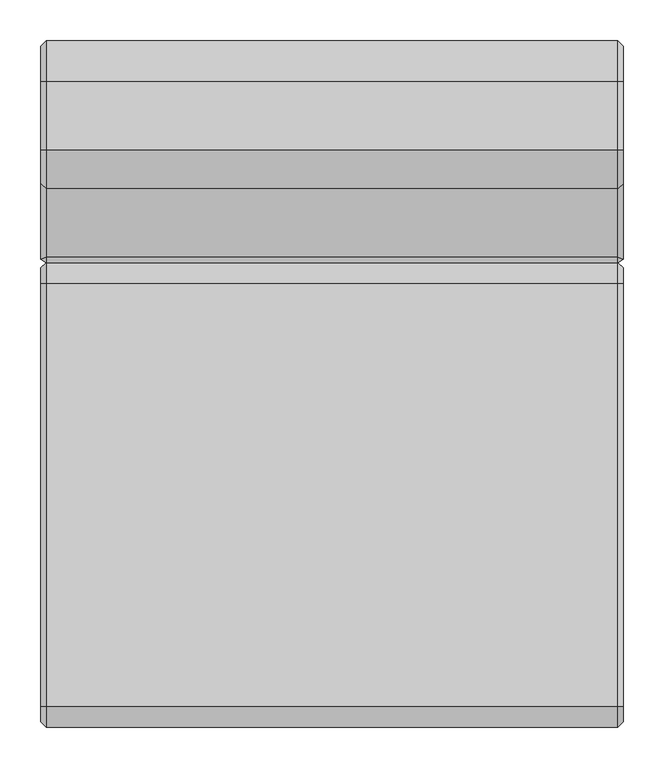
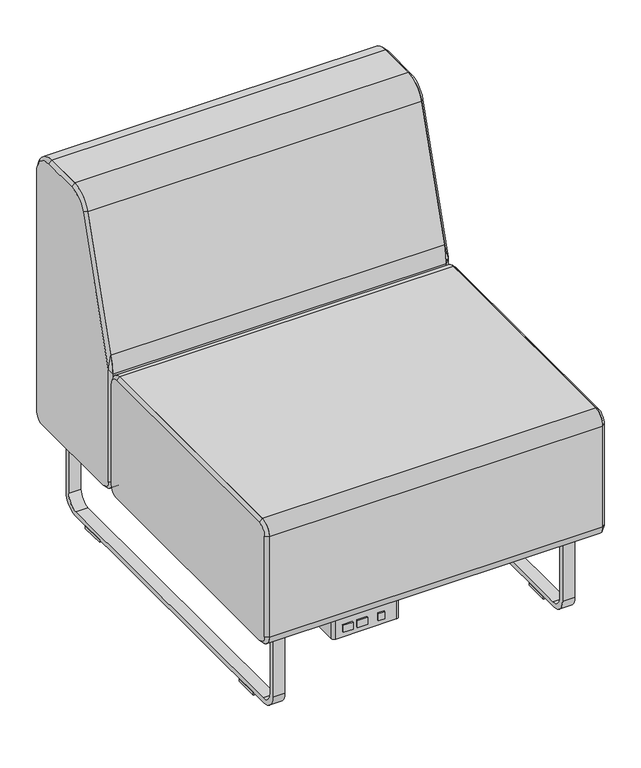
"""IFC4 building model written with IfcOpenShell, lengths in millimetres: furniture geometry."""

import ifcopenshell
import ifcopenshell.guid

model = None  # the IFC model being written
_history = None  # IfcOwnerHistory: only IFC2X3 demands one
_inside = {}  # id of a spatial element -> (the spatial element, [elements in it])
_under = {}  # id of a project, library or spatial element -> (it, [spatial elements below it])
_declared = {}  # id of a project -> (the project, [libraries it declares])
_typed = {}  # id of a type object -> (the type object, [elements of that type])
_made_of = {}  # id of a material, layer set ... -> (it, [elements and type objects made of it])


def new_model(schema):
    """Start an empty IFC model of exactly this schema.

    Asked for "IFC4X3", IfcOpenShell would pick the latest addendum, in which some entities
    have other attributes; the version numbers below select the first issue.
    IFC2X3 requires an IfcOwnerHistory on every rooted entity: one is made here for all.
    """
    global model, _history
    if schema == "IFC4X3":
        model = ifcopenshell.file(schema_version=(4, 3, 0, 0))
    else:
        model = ifcopenshell.file(schema=schema)
    _inside.clear()
    _under.clear()
    _declared.clear()
    _typed.clear()
    _made_of.clear()
    _history = None
    if model.schema == "IFC2X3":
        org = make("IfcOrganization", Name="unknown")
        user = make(
            "IfcPersonAndOrganization",
            ThePerson=make("IfcPerson", FamilyName="unknown"),
            TheOrganization=org,
        )
        app = make(
            "IfcApplication",
            ApplicationDeveloper=org,
            Version="unknown",
            ApplicationFullName="unknown",
            ApplicationIdentifier="unknown",
        )
        _history = make(
            "IfcOwnerHistory",
            OwningUser=user,
            OwningApplication=app,
            ChangeAction="ADDED",
            CreationDate=0,
        )
    return model


def make(cls, **values):
    """One entity of the class cls with the attributes given. An attribute that is None is left unset."""
    return model.create_entity(
        cls, **{name: value for name, value in values.items() if value is not None}
    )


def rooted(cls, **values):
    """An entity with a GlobalId (a new one), such as an element, a storey or a relation."""
    return make(cls, GlobalId=ifcopenshell.guid.new(), OwnerHistory=_history, **values)


def si_unit(unit_type, name, prefix=None):
    """IfcSIUnit, for example si_unit("LENGTHUNIT", "METRE", prefix="MILLI")."""
    return make("IfcSIUnit", UnitType=unit_type, Prefix=prefix, Name=name)


def assignment(units):
    """IfcUnitAssignment: the units of a project."""
    return None if units is None else make("IfcUnitAssignment", Units=units)


def point(xyz):
    """IfcCartesianPoint."""
    return None if xyz is None else make("IfcCartesianPoint", Coordinates=xyz)


def direction(xyz):
    """IfcDirection."""
    return None if xyz is None else make("IfcDirection", DirectionRatios=xyz)


def frame(location, z_axis=None, x_axis=None):
    """IfcAxis2Placement3D, a coordinate frame: its origin and axes. An axis left out is left unset."""
    return make(
        "IfcAxis2Placement3D",
        Location=point(location),
        Axis=direction(z_axis),
        RefDirection=direction(x_axis),
    )


def frame_2d(location, x_axis=None):
    """IfcAxis2Placement2D, a coordinate frame in the plane: its origin and x axis."""
    return make(
        "IfcAxis2Placement2D", Location=point(location), RefDirection=direction(x_axis)
    )


def origin():
    """The frame at (0, 0, 0) with its axes left unset."""
    return frame((0.0, 0.0, 0.0))


def origin_with_axes():
    """The frame at (0, 0, 0) with the z axis (0, 0, 1) and the x axis (1, 0, 0) written out."""
    return frame((0.0, 0.0, 0.0), z_axis=(0.0, 0.0, 1.0), x_axis=(1.0, 0.0, 0.0))


def place(relative_to, where):
    """IfcLocalPlacement: puts the frame where relative to a parent placement (None: the world)."""
    return make(
        "IfcLocalPlacement", PlacementRelTo=relative_to, RelativePlacement=where
    )


def context(
    kind, dimensions, precision=None, world=None, true_north=None, identifier=None
):
    """IfcGeometricRepresentationContext, for example the 3D "Model" context."""
    return make(
        "IfcGeometricRepresentationContext",
        ContextIdentifier=identifier,
        ContextType=kind,
        CoordinateSpaceDimension=dimensions,
        Precision=precision,
        WorldCoordinateSystem=world,
        TrueNorth=true_north,
    )


def project(units=None, contexts=None):
    """IfcProject with its units and contexts."""
    return rooted(
        "IfcProject",
        Name="project",
        RepresentationContexts=contexts,
        UnitsInContext=assignment(units),
    )


def spatial(cls, under=None, at=None, **own):
    """A site, building, storey or space (cls), placed at a placement, below another one or the project."""
    s = rooted(cls, ObjectPlacement=at, **own)
    if under is not None:
        _under.setdefault(under.id(), (under, []))[1].append(s)
    return s


def polyline(points):
    """IfcPolyline through the points."""
    return make("IfcPolyline", Points=[point(p) for p in points])


def circle_curve(where, radius):
    """IfcCircle in the frame where."""
    return make("IfcCircle", Position=where, Radius=radius)


def trimmed(basis, trim1, trim2, sense, master):
    """IfcTrimmedCurve: the piece of a basis curve between two trims."""
    return make(
        "IfcTrimmedCurve",
        BasisCurve=basis,
        Trim1=trim1,
        Trim2=trim2,
        SenseAgreement=sense,
        MasterRepresentation=master,
    )


def segment(curve, same_sense, transition):
    """IfcCompositeCurveSegment."""
    return make(
        "IfcCompositeCurveSegment",
        Transition=transition,
        SameSense=same_sense,
        ParentCurve=curve,
    )


def composite_curve(segments, self_intersect=None):
    """IfcCompositeCurve: segments joined end to end."""
    return make("IfcCompositeCurve", Segments=segments, SelfIntersect=self_intersect)


def outline(outer, holes=None, kind="AREA"):
    """IfcArbitraryClosedProfileDef: a profile drawn as a closed curve; with holes, ...WithVoids."""
    if holes is None:
        return make("IfcArbitraryClosedProfileDef", ProfileType=kind, OuterCurve=outer)
    return make(
        "IfcArbitraryProfileDefWithVoids",
        ProfileType=kind,
        OuterCurve=outer,
        InnerCurves=holes,
    )


def extrude(swept, where, along, depth):
    """IfcExtrudedAreaSolid: the profile swept, set in the frame where, extruded along a direction by depth."""
    return make(
        "IfcExtrudedAreaSolid",
        SweptArea=swept,
        Position=where,
        ExtrudedDirection=direction(along),
        Depth=depth,
    )


def shape(context_of_items, identifier, shape_type, items):
    """IfcShapeRepresentation: the items that make up one representation, for example the "Body"."""
    return make(
        "IfcShapeRepresentation",
        ContextOfItems=context_of_items,
        RepresentationIdentifier=identifier,
        RepresentationType=shape_type,
        Items=items,
    )


def source(mapping_origin, context_of_items, identifier, shape_type, items):
    """IfcRepresentationMap: a shape defined once, which mapped items show again and again."""
    return make(
        "IfcRepresentationMap",
        MappingOrigin=mapping_origin,
        MappedRepresentation=shape(context_of_items, identifier, shape_type, items),
    )


def transform(
    local_origin,
    x_axis=None,
    y_axis=None,
    z_axis=None,
    scale=None,
    scale2=None,
    scale3=None,
    uniform=True,
):
    """IfcCartesianTransformationOperator3D, or its non-uniform kind. x_axis, y_axis, z_axis: its Axis1, 2, 3."""
    if uniform:
        return make(
            "IfcCartesianTransformationOperator3D",
            Axis1=direction(x_axis),
            Axis2=direction(y_axis),
            LocalOrigin=point(local_origin),
            Scale=scale,
            Axis3=direction(z_axis),
        )
    return make(
        "IfcCartesianTransformationOperator3DnonUniform",
        Axis1=direction(x_axis),
        Axis2=direction(y_axis),
        LocalOrigin=point(local_origin),
        Scale=scale,
        Axis3=direction(z_axis),
        Scale2=scale2,
        Scale3=scale3,
    )


def mapped(mapping_source, mapping_target):
    """IfcMappedItem: shows the shape of a source again, moved by a transform."""
    return make(
        "IfcMappedItem", MappingSource=mapping_source, MappingTarget=mapping_target
    )


def made_of(thing, what):
    """Note that an element or type object is made of a material, layer set ...; save() writes the relation."""
    if what is not None:
        _made_of.setdefault(what.id(), (what, []))[1].append(thing)
    return thing


def element(
    cls,
    number,
    at=None,
    inside=None,
    cuts=None,
    type_object=None,
    material=None,
    context=None,
    identifier="Body",
    shape_type=None,
    held_by="IfcProductDefinitionShape",
    body=None,
    shapes=None,
    **own,
):
    """One element of the class cls, such as IfcWall. Its Tag is "e" and its number.

    at: its placement. inside: the storey or other place that contains it. cuts: it is an
    opening in that element (IfcRelVoidsElement). A single representation is given by context,
    identifier, shape_type and body (its items); several are given by shapes. held_by: the class
    of the entity that holds the representations. save() writes the other relations.
    """
    e = rooted(cls, Tag="e%d" % number, ObjectPlacement=at, **own)
    if body is not None:
        shapes = [shape(context, identifier, shape_type, body)]
    if shapes is not None:
        e.Representation = make(held_by, Representations=shapes)
    if inside is not None:
        _inside.setdefault(inside.id(), (inside, []))[1].append(e)
    if cuts is not None:
        rooted(
            "IfcRelVoidsElement", RelatingBuildingElement=cuts, RelatedOpeningElement=e
        )
    if type_object is not None:
        _typed.setdefault(type_object.id(), (type_object, []))[1].append(e)
    return made_of(e, material)


def aggregate(whole, parts):
    """IfcRelAggregates: a whole, such as a stair, and the parts it consists of."""
    return rooted("IfcRelAggregates", RelatingObject=whole, RelatedObjects=parts)


def save(model, path):
    """Write the relations noted so far, then the file.

    IfcRelAggregates (storeys below a building ...), IfcRelContainedInSpatialStructure (elements
    in a storey), IfcRelDefinesByType, IfcRelAssociatesMaterial and IfcRelDeclares: one each for
    every whole, place, type object, material and project.
    """
    for whole, parts in _under.values():
        aggregate(whole, parts)
    for where, things in _inside.values():
        rooted(
            "IfcRelContainedInSpatialStructure",
            RelatedElements=things,
            RelatingStructure=where,
        )
    for kind, things in _typed.values():
        rooted("IfcRelDefinesByType", RelatedObjects=things, RelatingType=kind)
    for what, things in _made_of.values():
        rooted("IfcRelAssociatesMaterial", RelatedObjects=things, RelatingMaterial=what)
    for by, libraries in _declared.values():
        rooted("IfcRelDeclares", RelatingContext=by, RelatedDefinitions=libraries)
    model.write(path)


def plane_surface(at):
    """IfcPlane: the flat surface through the origin of the frame at, square to its z axis."""
    return make("IfcPlane", Position=at)


def revolved_surface(curve, axis_point, axis_direction):
    """IfcSurfaceOfRevolution: the curve turned about the line through axis_point along axis_direction."""
    return make(
        "IfcSurfaceOfRevolution",
        SweptCurve=make("IfcArbitraryOpenProfileDef", ProfileType="CURVE", Curve=curve),
        AxisPosition=make("IfcAxis1Placement", Location=point(axis_point), Axis=direction(axis_direction)),
    )


def spline_surface(u_degree, v_degree, points, u_multiplicities, v_multiplicities, u_knots, v_knots, weights=None):
    """IfcBSplineSurfaceWithKnots; with weights, IfcRationalBSplineSurfaceWithKnots. points: one row for each step in u."""
    own = dict(
        UDegree=u_degree,
        VDegree=v_degree,
        ControlPointsList=[[point(p) for p in row] for row in points],
        SurfaceForm="UNSPECIFIED",
        UClosed=False,
        VClosed=False,
        SelfIntersect=False,
        UMultiplicities=u_multiplicities,
        VMultiplicities=v_multiplicities,
        UKnots=u_knots,
        VKnots=v_knots,
        KnotSpec="UNSPECIFIED",
    )
    if weights is None:
        return make("IfcBSplineSurfaceWithKnots", **own)
    return make("IfcRationalBSplineSurfaceWithKnots", WeightsData=weights, **own)


def advanced_brep(points, edges, surfaces, faces):
    """IfcAdvancedBrep: a solid bounded by faces that lie on surfaces and meet in shared edges.

    An edge is (start, end): straight between two places in points (the first is 0);
    or (start, end, curve); or (start, end, curve, False) where it runs against its curve.
    A face is (place in surfaces, loops), or (place, loops, False) where it looks against
    its surface's normal. A loop lists edges by number (the first is 1), with a minus sign
    where the edge is run from its end to its start. The first loop is the outer one.
    """
    corners = [point(p) for p in points]
    vertices = [make("IfcVertexPoint", VertexGeometry=c) for c in corners]
    made = []
    for start, end, *more in edges:
        made.append(
            make(
                "IfcEdgeCurve",
                EdgeStart=vertices[start],
                EdgeEnd=vertices[end],
                EdgeGeometry=more[0] if more else make("IfcPolyline", Points=[corners[start], corners[end]]),
                SameSense=more[1] if len(more) > 1 else True,
            )
        )
    hull = []
    for where, loops, *sense in faces:
        bounds = []
        for j, loop in enumerate(loops):
            ring = [make("IfcOrientedEdge", EdgeElement=made[abs(k) - 1], Orientation=k > 0) for k in loop]
            bounds.append(
                make(
                    "IfcFaceOuterBound" if j == 0 else "IfcFaceBound",
                    Bound=make("IfcEdgeLoop", EdgeList=ring),
                    Orientation=True,
                )
            )
        hull.append(make("IfcAdvancedFace", Bounds=bounds, FaceSurface=surfaces[where], SameSense=sense[0] if sense else True))
    return make("IfcAdvancedBrep", Outer=make("IfcClosedShell", CfsFaces=hull))


def furniture_3edd1aa6(model_context):
    return source(origin(), model_context, "Body", "SolidModel", [
        extrude(outline(polyline([(-94.2135905, -367.8609794), (-108.0184165, -367.8609794), (-108.0184165, -364.6859794), (-94.2135905, -364.6859794), (-94.2135905, -367.8609794)])), frame((0.0, 0.0, 148.4693805), z_axis=(0.0, 0.0, 1.0), x_axis=(1.0, 0.0, 0.0)), (0.0, 0.0, 1.0), 15.3288336),
        extrude(outline(polyline([(-130.3260038, -367.8609794), (-151.7402709, -367.8609794), (-151.7402709, -364.6859794), (-130.3260038, -364.6859794), (-130.3260038, -367.8609794)])), frame((0.0, 0.0, 148.4693805), z_axis=(0.0, 0.0, 1.0), x_axis=(1.0, 0.0, 0.0)), (0.0, 0.0, 1.0), 15.3288336),
        extrude(outline(polyline([(-160.5520036, -367.8609794), (-181.4562055, -367.8609794), (-181.4562055, -364.6859794), (-160.5520036, -364.6859794), (-160.5520036, -367.8609794)])), frame((0.0, 0.0, 148.4693805), z_axis=(0.0, 0.0, 1.0), x_axis=(1.0, 0.0, 0.0)), (0.0, 0.0, 1.0), 15.3288336),
        extrude(outline(composite_curve([segment(trimmed(circle_curve(frame_2d((-62.7937537, -295.6297294)), 0.79375), [point((-62.7937537, -294.8359794))], [point((-62.0000037, -295.6297294))], False, "CARTESIAN"), True, "CONTINUOUS"), segment(polyline([(-62.0000037, -295.6297294), (-62.0000037, -358.3359794)]), True, "CONTINUOUS"), segment(trimmed(circle_curve(frame_2d((-68.3500037, -358.3359794)), 6.35), [point((-62.0000037, -358.3359794))], [point((-68.3500037, -364.6859794))], False, "CARTESIAN"), True, "CONTINUOUS"), segment(polyline([(-68.3500037, -364.6859794), (-195.3500037, -364.6859794)]), True, "CONTINUOUS"), segment(trimmed(circle_curve(frame_2d((-195.3500037, -358.3359794)), 6.35), [point((-195.3500037, -364.6859794))], [point((-201.7000037, -358.3359794))], False, "CARTESIAN"), True, "CONTINUOUS"), segment(polyline([(-201.7000037, -358.3359794), (-201.7000037, -295.6297294)]), True, "CONTINUOUS"), segment(trimmed(circle_curve(frame_2d((-200.9062537, -295.6297294)), 0.79375), [point((-201.7000037, -295.6297294))], [point((-200.9062537, -294.8359794))], False, "CARTESIAN"), True, "CONTINUOUS"), segment(polyline([(-200.9062537, -294.8359794), (-62.7937537, -294.8359794)]), True, "CONTINUOUS")], self_intersect=False)), frame((0.0, 0.0, 136.525), z_axis=(0.0, 0.0, 1.0), x_axis=(1.0, 0.0, 0.0)), (0.0, 0.0, 1.0), 44.45),
        extrude(outline(composite_curve([segment(trimmed(circle_curve(frame_2d((-52.4750037, -304.3609794)), 3.175), [point((-52.4750037, -301.1859794))], [point((-49.3000037, -304.3609794))], False, "CARTESIAN"), True, "CONTINUOUS"), segment(polyline([(-49.3000037, -304.3609794), (-49.3000037, -355.1609794)]), True, "CONTINUOUS"), segment(trimmed(circle_curve(frame_2d((-52.4750037, -355.1609794)), 3.175), [point((-49.3000037, -355.1609794))], [point((-52.4750037, -358.3359794))], False, "CARTESIAN"), True, "CONTINUOUS"), segment(polyline([(-52.4750037, -358.3359794), (-211.2250037, -358.3359794)]), True, "CONTINUOUS"), segment(trimmed(circle_curve(frame_2d((-211.2250037, -355.1609794)), 3.175), [point((-211.2250037, -358.3359794))], [point((-214.4000037, -355.1609794))], False, "CARTESIAN"), True, "CONTINUOUS"), segment(polyline([(-214.4000037, -355.1609794), (-214.4000037, -304.3609794)]), True, "CONTINUOUS"), segment(trimmed(circle_curve(frame_2d((-211.2250037, -304.3609794)), 3.175), [point((-214.4000037, -304.3609794))], [point((-211.2250037, -301.1859794))], False, "CARTESIAN"), True, "CONTINUOUS"), segment(polyline([(-211.2250037, -301.1859794), (-52.4750037, -301.1859794)]), True, "CONTINUOUS")], self_intersect=False)), frame((0.0, 0.0, 180.975), z_axis=(0.0, 0.0, 1.0), x_axis=(1.0, 0.0, 0.0)), (0.0, 0.0, 1.0), 3.175),
        advanced_brep(
        [(-355.6, 151.6980231, 450.85), (-355.6, 170.7480231, 431.8), (-355.6, 170.7480231, 209.55), (-355.6, 151.6980231, 190.5), (-355.6, -364.6859794, 190.5), (-355.6, -383.7359794, 209.55), (-355.6, -383.7359794, 431.8), (-355.6, -364.6859794, 450.85), (-349.25, 151.6980231, 457.2), (-349.25, -364.6859794, 457.2), (-349.25, -390.0859794, 431.8), (-349.25, -390.0859794, 209.55), (-349.25, -364.6859794, 184.15), (-349.25, 151.6980231, 184.15), (-349.25, 177.0980231, 209.55), (-349.25, 177.0980231, 431.8)],
        [
            (0, 1, circle_curve(frame((-355.6, 151.6980231, 431.8), z_axis=(-1.0, -2.7684521342053295e-12, 0.0), x_axis=(0.0, 0.0, 1.0)), 19.05)),
            (1, 2),
            (2, 3, circle_curve(frame((-355.6, 151.6980231, 209.55), z_axis=(-1.0, -3.1921132404022953e-12, 0.0), x_axis=(-3.1921549777552315e-12, 1.0, 0.0)), 19.05)),
            (3, 4),
            (4, 5, circle_curve(frame((-355.6, -364.6859794, 209.55), z_axis=(-1.0, 0.0, 0.0), x_axis=(0.0, 0.0, -1.0)), 19.05)),
            (5, 6),
            (6, 7, circle_curve(frame((-355.6, -364.6859794, 431.8), z_axis=(-1.0, 0.0, 0.0), x_axis=(0.0, -1.0, 0.0)), 19.05)),
            (7, 0),
            (8, 9),
            (9, 10, circle_curve(frame((-349.25, -364.6859794, 431.8), z_axis=(1.0, 0.0, 0.0), x_axis=(0.0, -1.0, 0.0)), 25.4)),
            (10, 11),
            (11, 12, circle_curve(frame((-349.25, -364.6859794, 209.55), z_axis=(1.0, 0.0, 0.0), x_axis=(0.0, 0.0, -1.0)), 25.4)),
            (12, 13),
            (13, 14, circle_curve(frame((-349.25, 151.6980231, 209.55), z_axis=(1.0, 3.1921132404022953e-12, 0.0), x_axis=(-3.1921549777552315e-12, 1.0, 0.0)), 25.4)),
            (14, 15),
            (15, 8, circle_curve(frame((-349.25, 151.6980231, 431.8), z_axis=(1.0, 2.7684521342053295e-12, 0.0), x_axis=(0.0, 0.0, 1.0)), 25.4)),
            (14, 2),
            (1, 15),
            (12, 4),
            (3, 13),
            (10, 6),
            (5, 11),
            (8, 0),
            (7, 9),
        ],
        [
            plane_surface(frame((-355.6, -106.4939782, 320.675), z_axis=(-1.0, 0.0, 0.0), x_axis=(0.0, 1.0, 0.0))),
            plane_surface(frame((-349.25, -106.4939782, 320.675), z_axis=(1.0, 0.0, 0.0), x_axis=(0.0, 1.0, 0.0))),
            plane_surface(frame((-349.25, 177.0980231, 320.675), z_axis=(-0.7071067811876064, 0.7071067811854886, 0.0), x_axis=(0.0, 0.0, -1.0))),
            plane_surface(frame((-349.25, -106.4939782, 184.15), z_axis=(-0.7071067811863705, 0.0, -0.7071067811867247), x_axis=(0.0, -1.0, 0.0))),
            plane_surface(frame((-349.25, -390.0859794, 320.675), z_axis=(-0.7071067811866116, -0.7071067811864835, 0.0), x_axis=(0.0, 0.0, 1.0))),
            plane_surface(frame((-349.25, -106.4939782, 457.2), z_axis=(-0.7071067811865777, 0.0, 0.7071067811865174), x_axis=(0.0, 1.0, 0.0))),
            revolved_surface(polyline([(-355.6, 151.6980231, 450.84999999999997), (-349.2499999999297, 151.6980231, 457.2000000000703)]), (-374.65, 151.6980231, 431.8), (1.0, 2.7684521342053295e-12, 0.0)),
            revolved_surface(polyline([(-355.60000000006085, 170.74802309993916, 209.55), (-349.25, 177.0980231, 209.55)]), (-374.65, 151.6980231, 209.55), (1.0, 3.1921132404022953e-12, 0.0)),
            revolved_surface(polyline([(-355.6, -364.6859794, 190.50000000000003), (-349.25, -364.6859794, 184.15)]), (-374.65, -364.6859794, 209.55), (1.0, 0.0, 0.0)),
            revolved_surface(polyline([(-355.6, -383.73597939999996, 431.8), (-349.25, -390.0859794, 431.8)]), (-374.65, -364.6859794, 431.8), (1.0, 0.0, 0.0)),
        ],
        [
            (0, [[1, 2, 3, 4, 5, 6, 7, 8]]),
            (1, [[9, 10, 11, 12, 13, 14, 15, 16]]),
            (2, [[-15, 17, -2, 18]]),
            (3, [[-13, 19, -4, 20]]),
            (4, [[-11, 21, -6, 22]]),
            (5, [[-9, 23, -8, 24]]),
            (6, [[-16, -18, -1, -23]]),
            (7, [[-14, -20, -3, -17]]),
            (8, [[-12, -22, -5, -19]]),
            (9, [[-10, -24, -7, -21]]),
        ],
    ),
        advanced_brep(
        [(355.6, 398.1140214, 781.05), (355.6, 315.3219472, 781.05), (355.6, 273.6633925, 750.4487484), (355.6, 181.6267453, 456.75942), (355.6, 181.6267453, 209.55), (355.6, 200.6767453, 190.5), (355.6, 422.7140206, 190.5), (355.6, 441.7640206, 209.55), (355.6, 441.7640206, 737.4000009), (349.25, 398.1140214, 787.4), (349.25, 448.1140206, 737.4000009), (349.25, 448.1140206, 209.55), (349.25, 422.7140206, 184.15), (349.25, 202.4980231, 184.15), (349.25, 177.0980231, 209.55), (349.25, 177.0980231, 448.1421227), (349.25, 183.8862715, 485.2041409), (349.25, 267.6039664, 752.3476572), (349.25, 315.3219472, 787.4)],
        [
            (0, 1),
            (1, 2, circle_curve(frame((355.6, 315.3219472, 737.39375), z_axis=(1.0, 0.0, 0.0), x_axis=(0.0, 0.0, 1.0)), 43.65625)),
            (2, 3),
            (3, 4),
            (4, 5, circle_curve(frame((355.6, 200.6767453, 209.55), z_axis=(1.0, 0.0, 0.0), x_axis=(0.0, -1.0, 0.0)), 19.05)),
            (5, 6),
            (6, 7, circle_curve(frame((355.6, 422.7140206, 209.55), z_axis=(1.0, -2.1103119252153097e-12, 3.346656285442461e-12), x_axis=(3.3466520756728202e-12, 0.0, -1.0)), 19.05)),
            (7, 8),
            (8, 0, circle_curve(frame((355.6, 398.1140214, 737.4000009), z_axis=(1.0, 2.2488677586890422e-12, 0.0), x_axis=(-2.2488434285652812e-12, 1.0, 0.0)), 43.6499991)),
            (9, 10, circle_curve(frame((349.25, 398.1140214, 737.4000009), z_axis=(-1.0, -2.2488677586890422e-12, 0.0), x_axis=(-2.2488434285652812e-12, 1.0, 0.0)), 49.9999991)),
            (10, 11),
            (11, 12, circle_curve(frame((349.25, 422.7140206, 209.55), z_axis=(-1.0, 2.1103119252153097e-12, -3.346656285442461e-12), x_axis=(3.3466520756728202e-12, 0.0, -1.0)), 25.4)),
            (12, 13),
            (13, 14, circle_curve(frame((349.25, 202.4980231, 209.55), z_axis=(-1.0, 0.0, 0.0), x_axis=(0.0, -1.0, 0.0)), 25.4)),
            (14, 15),
            (15, 16, circle_curve(frame((349.25, 330.963593, 439.112907), z_axis=(-1.0, 0.0, 0.0), x_axis=(0.0, -1.0, 0.0)), 154.1302707)),
            (16, 17),
            (17, 18, circle_curve(frame((349.25, 315.3219472, 737.39375), z_axis=(-1.0, 0.0, 0.0), x_axis=(0.0, 0.0, 1.0)), 50.00625)),
            (18, 9),
            (18, 1),
            (0, 9),
            (17, 2),
            (16, 3),
            (15, 3),
            (14, 4),
            (13, 5),
            (12, 6),
            (11, 7),
            (10, 8),
        ],
        [
            plane_surface(frame((355.6, 317.4746287, 478.534241), z_axis=(1.0, 0.0, 0.0), x_axis=(0.0, 0.0, 1.0))),
            plane_surface(frame((349.25, 304.0562338, 478.5293922), z_axis=(-1.0, 0.0, 0.0), x_axis=(0.0, 0.0, 1.0))),
            plane_surface(frame((349.25, 356.7179843, 787.4), z_axis=(0.7071067811879643, 0.0, 0.7071067811851307), x_axis=(0.0, -1.0, 0.0))),
            revolved_surface(polyline([(355.6, 315.3219472, 781.05), (349.25, 315.3219472, 787.4)]), (399.25625, 315.3219472, 737.39375), (-1.0, 0.0, 0.0)),
            plane_surface(frame((349.25, 225.745119, 618.7758991), z_axis=(0.707106781188229, -0.6747498133214669, 0.21145375243837036), x_axis=(0.0, -0.29904076451373696, -0.9542403372102018))),
            spline_surface(2, 1, [[(349.25, 183.8862715, 485.2041409), (355.6, 181.6267453, 456.75942)], [(349.25, 178.20999802483482, 467.09112836245816), (355.6, 181.6267453, 456.75942)], [(349.25, 177.0980231, 448.1421227), (355.6, 181.6267453, 456.75942)]], [3, 3], [2, 2], [0.0, 1.0], [0.0, 1.0], weights=[[1.0, 1.0], [0.9925018543197952, 0.9925018543197952], [1.0, 1.0]]),
            plane_surface(frame((349.25, 177.0980231, 328.8460613), z_axis=(0.5806444204862116, -0.8141572679514882, 0.0), x_axis=(0.0, 0.0, -1.0))),
            spline_surface(2, 1, [[(349.25, 177.0980231, 209.55), (355.6, 181.6267453, 209.55)], [(349.25, 177.0980231, 184.15), (355.6, 181.6267453, 190.50000000000003)], [(349.25, 202.4980231, 184.15), (355.6, 200.6767453, 190.5)]], [3, 3], [2, 2], [0.0, 1.0], [0.0, 1.0], weights=[[1.0, 1.0], [0.7071067811865476, 0.7071067811865476], [1.0, 1.0]]),
            plane_surface(frame((349.25, 312.6060218, 184.15), z_axis=(0.70710678118765, 0.0, -0.707106781185445), x_axis=(0.0, 1.0, 0.0))),
            revolved_surface(polyline([(355.6000000000638, 422.7140206, 190.50000000006378), (349.25, 422.7140206, 184.15)]), (374.65, 422.7140206, 209.55), (-1.0, 2.1103119252153097e-12, -3.346656285442461e-12)),
            plane_surface(frame((349.25, 448.1140206, 473.4750004), z_axis=(0.7071067811879643, 0.7071067811851307, 0.0), x_axis=(0.0, 0.0, 1.0))),
            revolved_surface(polyline([(355.6, 441.76402058729997, 737.4000009), (349.24999999988756, 448.11402060011244, 737.4000009)]), (399.2499991, 398.1140214, 737.4000009), (-1.0, -2.2488677586890422e-12, 0.0)),
        ],
        [
            (0, [[1, 2, 3, 4, 5, 6, 7, 8, 9]]),
            (1, [[10, 11, 12, 13, 14, 15, 16, 17, 18, 19]]),
            (2, [[-19, 20, -1, 21]]),
            (3, [[-18, 22, -2, -20]]),
            (4, [[-17, 23, -3, -22]]),
            (5, [[-16, 24, -23]]),
            (6, [[-15, 25, -4, -24]]),
            (7, [[-14, 26, -5, -25]]),
            (8, [[-13, 27, -6, -26]]),
            (9, [[-12, 28, -7, -27]]),
            (10, [[-11, 29, -8, -28]]),
            (11, [[-10, -21, -9, -29]]),
        ],
    ),
        advanced_brep(
        [(355.6, 151.6980231, 450.85), (355.6, -364.6859794, 450.85), (355.6, -383.7359794, 431.8), (355.6, -383.7359794, 209.55), (355.6, -364.6859794, 190.5), (355.6, 151.6980231, 190.5), (355.6, 170.7480231, 209.55), (355.6, 170.7480231, 431.8), (349.25, 151.6980231, 457.2), (349.25, 177.0980231, 431.8), (349.25, 177.0980231, 209.55), (349.25, 151.6980231, 184.15), (349.25, -364.6859794, 184.15), (349.25, -390.0859794, 209.55), (349.25, -390.0859794, 431.8), (349.25, -364.6859794, 457.2)],
        [
            (0, 1),
            (1, 2, circle_curve(frame((355.6, -364.6859794, 431.8), z_axis=(1.0, 0.0, 0.0), x_axis=(0.0, 0.0, 1.0)), 19.05)),
            (2, 3),
            (3, 4, circle_curve(frame((355.6, -364.6859794, 209.55), z_axis=(1.0, 0.0, 0.0), x_axis=(0.0, -1.0, 0.0)), 19.05)),
            (4, 5),
            (5, 6, circle_curve(frame((355.6, 151.6980231, 209.55), z_axis=(1.0, -2.8617108682842753e-12, 0.0), x_axis=(0.0, 0.0, -1.0)), 19.05)),
            (6, 7),
            (7, 0, circle_curve(frame((355.6, 151.6980231, 431.8), z_axis=(1.0, -2.4433788326040377e-12, 0.0), x_axis=(2.443377884202076e-12, 1.0, 0.0)), 19.05)),
            (8, 9, circle_curve(frame((349.25, 151.6980231, 431.8), z_axis=(-1.0, 2.4433788326040377e-12, 0.0), x_axis=(2.443377884202076e-12, 1.0, 0.0)), 25.4)),
            (9, 10),
            (10, 11, circle_curve(frame((349.25, 151.6980231, 209.55), z_axis=(-1.0, 2.8617108682842753e-12, 0.0), x_axis=(0.0, 0.0, -1.0)), 25.4)),
            (11, 12),
            (12, 13, circle_curve(frame((349.25, -364.6859794, 209.55), z_axis=(-1.0, 0.0, 0.0), x_axis=(0.0, -1.0, 0.0)), 25.4)),
            (13, 14),
            (14, 15, circle_curve(frame((349.25, -364.6859794, 431.8), z_axis=(-1.0, 0.0, 0.0), x_axis=(0.0, 0.0, 1.0)), 25.4)),
            (15, 8),
            (9, 7),
            (6, 10),
            (11, 5),
            (4, 12),
            (13, 3),
            (2, 14),
            (15, 1),
            (0, 8),
        ],
        [
            plane_surface(frame((355.6, -106.4939782, 320.675), z_axis=(1.0, 0.0, 0.0), x_axis=(0.0, -1.0, 0.0))),
            plane_surface(frame((349.25, -106.4939782, 320.675), z_axis=(-1.0, 0.0, 0.0), x_axis=(0.0, -1.0, 0.0))),
            plane_surface(frame((349.25, 177.0980231, 320.675), z_axis=(0.7071067811887972, 0.7071067811842979, 0.0), x_axis=(0.0, 0.0, 1.0))),
            plane_surface(frame((349.25, -106.4939782, 184.15), z_axis=(0.7071067811876705, 0.0, -0.7071067811854246), x_axis=(0.0, 1.0, 0.0))),
            plane_surface(frame((349.25, -390.0859794, 320.675), z_axis=(0.7071067811879042, -0.707106781185191, 0.0), x_axis=(0.0, 0.0, -1.0))),
            plane_surface(frame((349.25, -106.4939782, 457.2), z_axis=(0.7071067811878551, 0.0, 0.70710678118524), x_axis=(0.0, -1.0, 0.0))),
            revolved_surface(polyline([(355.6000000000466, 170.74802309995343, 431.8), (349.25, 177.0980231, 431.8)]), (374.65, 151.6980231, 431.8), (-1.0, 2.4433788326040377e-12, 0.0)),
            revolved_surface(polyline([(355.6, 151.6980231, 190.50000000000003), (349.2499999999273, 151.6980231, 184.14999999992733)]), (374.65, 151.6980231, 209.55), (-1.0, 2.8617108682842753e-12, 0.0)),
            revolved_surface(polyline([(355.6, -383.73597939999996, 209.55), (349.25, -390.0859794, 209.55)]), (374.65, -364.6859794, 209.55), (-1.0, 0.0, 0.0)),
            revolved_surface(polyline([(355.6, -364.6859794, 450.84999999999997), (349.25, -364.6859794, 457.2)]), (374.65, -364.6859794, 431.8), (-1.0, 0.0, 0.0)),
        ],
        [
            (0, [[1, 2, 3, 4, 5, 6, 7, 8]]),
            (1, [[9, 10, 11, 12, 13, 14, 15, 16]]),
            (2, [[-10, 17, -7, 18]]),
            (3, [[-12, 19, -5, 20]]),
            (4, [[-14, 21, -3, 22]]),
            (5, [[-16, 23, -1, 24]]),
            (6, [[-9, -24, -8, -17]]),
            (7, [[-11, -18, -6, -19]]),
            (8, [[-13, -20, -4, -21]]),
            (9, [[-15, -22, -2, -23]]),
        ],
    ),
        extrude(outline(composite_curve([segment(polyline([(-364.6859794, 457.2), (151.6980231, 457.2)]), True, "CONTINUOUS"), segment(trimmed(circle_curve(frame_2d((151.6980231, 431.8)), 25.4), [point((151.6980231, 457.2))], [point((177.0980231, 431.8))], False, "CARTESIAN"), True, "CONTINUOUS"), segment(polyline([(177.0980231, 431.8), (177.0980231, 209.55)]), True, "CONTINUOUS"), segment(trimmed(circle_curve(frame_2d((151.6980231, 209.55)), 25.4), [point((177.0980231, 209.55))], [point((151.6980231, 184.15))], False, "CARTESIAN"), True, "CONTINUOUS"), segment(polyline([(151.6980231, 184.15), (-364.6859794, 184.15)]), True, "CONTINUOUS"), segment(trimmed(circle_curve(frame_2d((-364.6859794, 209.55)), 25.4), [point((-364.6859794, 184.15))], [point((-390.0859794, 209.55))], False, "CARTESIAN"), True, "CONTINUOUS"), segment(polyline([(-390.0859794, 209.55), (-390.0859794, 431.8)]), True, "CONTINUOUS"), segment(trimmed(circle_curve(frame_2d((-364.6859794, 431.8)), 25.4), [point((-390.0859794, 431.8))], [point((-364.6859794, 457.2))], False, "CARTESIAN"), True, "CONTINUOUS")], self_intersect=False)), frame((-349.25, 0.0, 0.0), z_axis=(1.0, 0.0, 0.0), x_axis=(0.0, 1.0, 0.0)), (0.0, 0.0, 1.0), 698.5),
        advanced_brep(
        [(-355.6, 441.7640206, 737.4000009), (-355.6, 441.7640206, 209.55), (-355.6, 422.7140206, 190.5), (-355.6, 200.6767453, 190.5), (-355.6, 181.6267453, 209.55), (-355.6, 181.6267453, 456.75942), (-355.6, 273.6633925, 750.4487484), (-355.6, 315.3219472, 781.05), (-355.6, 398.1140214, 781.05), (-349.25, 448.1140206, 737.4000009), (-349.25, 398.1140214, 787.4), (-349.25, 315.3219472, 787.4), (-349.25, 267.6039664, 752.3476572), (-349.25, 183.8862715, 485.2041409), (-349.25, 177.0980231, 448.1421227), (-349.25, 177.0980231, 209.55), (-349.25, 202.4980231, 184.15), (-349.25, 422.7140206, 184.15), (-349.25, 448.1140206, 209.55)],
        [
            (0, 1),
            (1, 2, circle_curve(frame((-355.6, 422.7140206, 209.55), z_axis=(-1.0, -2.3874235921538688e-12, 0.0), x_axis=(-2.3874825926737725e-12, 1.0, 0.0)), 19.05)),
            (2, 3),
            (3, 4, circle_curve(frame((-355.6, 200.6767453, 209.55), z_axis=(-1.0, 0.0, 0.0), x_axis=(0.0, -1.0, 0.0)), 19.05)),
            (4, 5),
            (5, 6),
            (6, 7, circle_curve(frame((-355.6, 315.3219472, 737.39375), z_axis=(-1.0, 0.0, 0.0), x_axis=(0.0, -0.9542403372102007, 0.2990407645137407)), 43.65625)),
            (7, 8),
            (8, 0, circle_curve(frame((-355.6, 398.1140214, 737.4000009), z_axis=(-1.0, 0.0, 0.0), x_axis=(0.0, 0.0, 1.0)), 43.6499991)),
            (9, 10, circle_curve(frame((-349.25, 398.1140214, 737.4000009), z_axis=(1.0, 0.0, 0.0), x_axis=(0.0, 0.0, 1.0)), 49.9999991)),
            (10, 11),
            (11, 12, circle_curve(frame((-349.25, 315.3219472, 737.39375), z_axis=(1.0, 0.0, 0.0), x_axis=(0.0, -0.9542403372102007, 0.2990407645137407)), 50.00625)),
            (12, 13),
            (13, 14, circle_curve(frame((-349.25, 330.963593, 439.112907), z_axis=(1.0, 0.0, 0.0), x_axis=(0.0, -1.0, 0.0)), 154.1302707)),
            (14, 15),
            (15, 16, circle_curve(frame((-349.25, 202.4980231, 209.55), z_axis=(1.0, 0.0, 0.0), x_axis=(0.0, -1.0, 0.0)), 25.4)),
            (16, 17),
            (17, 18, circle_curve(frame((-349.25, 422.7140206, 209.55), z_axis=(1.0, 2.3874235921538688e-12, 0.0), x_axis=(-2.3874825926737725e-12, 1.0, 0.0)), 25.4)),
            (18, 9),
            (18, 1),
            (0, 9),
            (10, 8),
            (7, 11),
            (16, 3),
            (2, 17),
            (14, 5),
            (4, 15),
            (13, 5),
            (12, 6),
        ],
        [
            plane_surface(frame((-355.6, 317.4746287, 478.534241), z_axis=(-1.0, 0.0, 0.0), x_axis=(0.0, 1.0, 0.0))),
            plane_surface(frame((-349.25, 304.0562338, 478.5293922), z_axis=(1.0, 0.0, 0.0), x_axis=(0.0, 1.0, 0.0))),
            plane_surface(frame((-349.25, 448.1140206, 473.4750004), z_axis=(-0.7071067811874896, 0.7071067811856054, 0.0), x_axis=(0.0, 0.0, -1.0))),
            plane_surface(frame((-349.25, 356.7179843, 787.4), z_axis=(-0.7071067811866381, 0.0, 0.7071067811864571), x_axis=(0.0, 1.0, 0.0))),
            revolved_surface(polyline([(-355.6, 398.1140214, 781.05), (-349.25, 398.1140214, 787.4)]), (-399.2499991, 398.1140214, 737.4000009), (1.0, 0.0, 0.0)),
            plane_surface(frame((-349.25, 312.6060218, 184.15), z_axis=(-0.70710678118664, 0.0, -0.707106781186455), x_axis=(0.0, -1.0, 0.0))),
            plane_surface(frame((-349.25, 177.0980231, 328.8460613), z_axis=(-0.5806444204825696, -0.8141572679540857, 0.0), x_axis=(0.0, 0.0, 1.0))),
            revolved_surface(polyline([(-355.6000000000455, 441.7640205999545, 209.55), (-349.25, 448.1140206, 209.55)]), (-374.65, 422.7140206, 209.55), (1.0, 2.3874235921538688e-12, 0.0)),
            spline_surface(2, 1, [[(-349.25, 202.4980231, 184.15), (-355.6, 200.6767453, 190.5)], [(-349.25, 177.0980231, 184.15), (-355.6, 181.62674529999998, 190.5)], [(-349.25, 177.0980231, 209.55), (-355.6, 181.6267453, 209.55)]], [3, 3], [2, 2], [0.0, 1.0], [0.0, 1.0], weights=[[1.0, 1.0], [0.7071067811865476, 0.7071067811865476], [1.0, 1.0]]),
            spline_surface(2, 1, [[(-349.25, 177.0980231, 448.1421227), (-355.6, 181.6267453, 456.75942)], [(-349.25, 178.2099980584638, 467.0911283562987), (-355.6, 181.6267453, 456.75942)], [(-349.25, 183.8862715, 485.2041409), (-355.6, 181.6267453, 456.75942)]], [3, 3], [2, 2], [0.0, 1.0], [0.0, 1.0], weights=[[1.0, 1.0], [0.9925018544290458, 0.9925018544290458], [1.0, 1.0]]),
            plane_surface(frame((-349.25, 225.745119, 618.7758991), z_axis=(-0.7071067811865487, -0.6747498133230706, 0.2114537524388727), x_axis=(0.0, 0.2990407645137367, 0.954240337210202))),
            revolved_surface(polyline([(-355.6, 273.66339253333337, 750.4487483492063), (-349.25, 267.6039664, 752.3476572)]), (-399.25625, 315.3219472, 737.39375), (1.0, 0.0, 0.0)),
        ],
        [
            (0, [[1, 2, 3, 4, 5, 6, 7, 8, 9]]),
            (1, [[10, 11, 12, 13, 14, 15, 16, 17, 18, 19]]),
            (2, [[-19, 20, -1, 21]]),
            (3, [[-11, 22, -8, 23]]),
            (4, [[-10, -21, -9, -22]]),
            (5, [[-17, 24, -3, 25]]),
            (6, [[-15, 26, -5, 27]]),
            (7, [[-18, -25, -2, -20]]),
            (8, [[-16, -27, -4, -24]]),
            (9, [[-14, 28, -26]]),
            (10, [[-13, 29, -6, -28]]),
            (11, [[-12, -23, -7, -29]]),
        ],
    ),
        extrude(outline(composite_curve([segment(polyline([(448.1140206, 737.4000009), (448.1140206, 209.55)]), True, "CONTINUOUS"), segment(trimmed(circle_curve(frame_2d((422.7140206, 209.55)), 25.4), [point((448.1140206, 209.55))], [point((422.7140206, 184.15))], False, "CARTESIAN"), True, "CONTINUOUS"), segment(polyline([(422.7140206, 184.15), (202.4980231, 184.15)]), True, "CONTINUOUS"), segment(trimmed(circle_curve(frame_2d((202.4980231, 209.55)), 25.4), [point((202.4980231, 184.15))], [point((177.0980231, 209.55))], False, "CARTESIAN"), True, "CONTINUOUS"), segment(polyline([(177.0980231, 209.55), (177.0980231, 448.1421227)]), True, "CONTINUOUS"), segment(trimmed(circle_curve(frame_2d((330.963593, 439.112907)), 154.1302707), [point((177.0980231, 448.1421227))], [point((183.8862715, 485.2041409))], False, "CARTESIAN"), True, "CONTINUOUS"), segment(polyline([(183.8862715, 485.2041409), (267.6039664, 752.3476572)]), True, "CONTINUOUS"), segment(trimmed(circle_curve(frame_2d((315.3219472, 737.39375)), 50.00625), [point((267.6039664, 752.3476572))], [point((315.3219472, 787.4))], False, "CARTESIAN"), True, "CONTINUOUS"), segment(polyline([(315.3219472, 787.4), (398.1140214, 787.4)]), True, "CONTINUOUS"), segment(trimmed(circle_curve(frame_2d((398.1140214, 737.4000009)), 49.9999991), [point((398.1140214, 787.4))], [point((448.1140206, 737.4000009))], False, "CARTESIAN"), True, "CONTINUOUS")], self_intersect=False)), frame((-349.25, 0.0, 0.0), z_axis=(1.0, 0.0, 0.0), x_axis=(0.0, 1.0, 0.0)), (0.0, 0.0, 1.0), 698.5),
        extrude(outline(composite_curve([segment(trimmed(circle_curve(frame_2d((371.5140283, 38.1)), 31.75), [point((403.2640283, 38.1))], [point((371.5140283, 6.35))], False, "CARTESIAN"), True, "CONTINUOUS"), segment(polyline([(371.5140283, 6.35), (-313.4859554, 6.35)]), True, "CONTINUOUS"), segment(trimmed(circle_curve(frame_2d((-313.4859554, 38.1)), 31.75), [point((-313.4859554, 6.35))], [point((-345.2359554, 38.1))], False, "CARTESIAN"), True, "CONTINUOUS"), segment(polyline([(-345.2359554, 38.1), (-345.2359554, 177.8), (-335.7109554, 177.8), (-335.7109554, 41.275)]), True, "CONTINUOUS"), segment(trimmed(circle_curve(frame_2d((-310.3109554, 41.275)), 25.4), [point((-335.7109554, 41.275))], [point((-310.3109554, 15.875))], True, "CARTESIAN"), True, "CONTINUOUS"), segment(polyline([(-310.3109554, 15.875), (368.3390283, 15.875)]), True, "CONTINUOUS"), segment(trimmed(circle_curve(frame_2d((368.3390283, 41.275)), 25.4), [point((368.3390283, 15.875))], [point((393.7390283, 41.275))], True, "CARTESIAN"), True, "CONTINUOUS"), segment(polyline([(393.7390283, 41.275), (393.7390283, 177.8), (403.2640283, 177.8), (403.2640283, 38.1)]), True, "CONTINUOUS")], self_intersect=False)), frame((290.5999947, 0.0, 0.0), z_axis=(1.0, 0.0, 0.0), x_axis=(0.0, 1.0, 0.0)), (0.0, 0.0, 1.0), 25.3999758),
        extrude(outline(polyline([(255.6749825, -345.2359554), (255.6749825, -284.9110039), (315.9999704, -284.9110039), (315.9999704, -345.2359554), (255.6749825, -345.2359554)])), frame((0.0, 0.0, 177.8), z_axis=(0.0, 0.0, 1.0), x_axis=(1.0, 0.0, 0.0)), (0.0, 0.0, 1.0), 6.35),
        extrude(outline(polyline([(255.6749825, 403.2640283), (315.9999704, 403.2640283), (315.9999704, 342.9390268), (255.6749825, 342.9390268), (255.6749825, 403.2640283)])), frame((0.0, 0.0, 177.8), z_axis=(0.0, 0.0, 1.0), x_axis=(1.0, 0.0, 0.0)), (0.0, 0.0, 1.0), 6.35),
        extrude(outline(polyline([(290.5999947, -275.3109358), (290.5999947, -224.5109842), (315.9999704, -224.5109842), (315.9999704, -275.3109358), (290.5999947, -275.3109358)])), origin_with_axes(), (0.0, 0.0, 1.0), 6.35),
        extrude(outline(polyline([(290.5999947, 333.3390314), (315.9999704, 333.3390314), (315.9999704, 282.5390253), (290.5999947, 282.5390253), (290.5999947, 333.3390314)])), origin_with_axes(), (0.0, 0.0, 1.0), 6.35),
        extrude(outline(polyline([(-255.6750007, -345.2359554), (-316.0000022, -345.2359554), (-316.0000022, -284.9110039), (-255.6750007, -284.9110039), (-255.6750007, -345.2359554)])), frame((0.0, 0.0, 177.8), z_axis=(0.0, 0.0, 1.0), x_axis=(1.0, 0.0, 0.0)), (0.0, 0.0, 1.0), 6.35),
        extrude(outline(polyline([(-255.6750007, 403.2640283), (-255.6750007, 342.9390268), (-316.0000022, 342.9390268), (-316.0000022, 403.2640283), (-255.6750007, 403.2640283)])), frame((0.0, 0.0, 177.8), z_axis=(0.0, 0.0, 1.0), x_axis=(1.0, 0.0, 0.0)), (0.0, 0.0, 1.0), 6.35),
        extrude(outline(polyline([(-290.6000037, -275.3109358), (-316.0000022, -275.3109358), (-316.0000022, -224.5109842), (-290.6000037, -224.5109842), (-290.6000037, -275.3109358)])), origin_with_axes(), (0.0, 0.0, 1.0), 6.35),
        extrude(outline(polyline([(-290.6000037, 333.3390314), (-290.6000037, 282.5390253), (-316.0000022, 282.5390253), (-316.0000022, 333.3390314), (-290.6000037, 333.3390314)])), origin_with_axes(), (0.0, 0.0, 1.0), 6.35),
        extrude(outline(composite_curve([segment(trimmed(circle_curve(frame_2d((371.5140283, 38.1)), 31.75), [point((403.2640283, 38.1))], [point((371.5140283, 6.35))], False, "CARTESIAN"), True, "CONTINUOUS"), segment(polyline([(371.5140283, 6.35), (-313.4859554, 6.35)]), True, "CONTINUOUS"), segment(trimmed(circle_curve(frame_2d((-313.4859554, 38.1)), 31.75), [point((-313.4859554, 6.35))], [point((-345.2359554, 38.1))], False, "CARTESIAN"), True, "CONTINUOUS"), segment(polyline([(-345.2359554, 38.1), (-345.2359554, 177.8), (-335.7109554, 177.8), (-335.7109554, 41.275)]), True, "CONTINUOUS"), segment(trimmed(circle_curve(frame_2d((-310.3109554, 41.275)), 25.4), [point((-335.7109554, 41.275))], [point((-310.3109554, 15.875))], True, "CARTESIAN"), True, "CONTINUOUS"), segment(polyline([(-310.3109554, 15.875), (368.3390283, 15.875)]), True, "CONTINUOUS"), segment(trimmed(circle_curve(frame_2d((368.3390283, 41.275)), 25.4), [point((368.3390283, 15.875))], [point((393.7390283, 41.275))], True, "CARTESIAN"), True, "CONTINUOUS"), segment(polyline([(393.7390283, 41.275), (393.7390283, 177.8), (403.2640283, 177.8), (403.2640283, 38.1)]), True, "CONTINUOUS")], self_intersect=False)), frame((-316.0000022, 0.0, 0.0), z_axis=(1.0, 0.0, 0.0), x_axis=(0.0, 1.0, 0.0)), (0.0, 0.0, 1.0), 25.3999985),
    ])


if __name__ == "__main__":
    model = new_model("IFC4")
    model_context = context("Model", 3, world=origin())
    ifc_project = project(units=[si_unit("LENGTHUNIT", "METRE", prefix="MILLI")], contexts=[model_context])
    site = spatial("IfcSite", under=ifc_project)
    building = spatial("IfcBuilding", under=site)
    placement = place(None, origin())
    furniture_shape = furniture_3edd1aa6(model_context)
    element("IfcFurniture", 1, at=placement, inside=building, context=model_context, shape_type="MappedRepresentation", body=[
        mapped(furniture_shape, transform((0.0, 0.0, 0.0), x_axis=(1.0, 0.0, 0.0), y_axis=(0.0, 1.0, 0.0), z_axis=(0.0, 0.0, 1.0))),
    ])
    save(model, "model.ifc")
